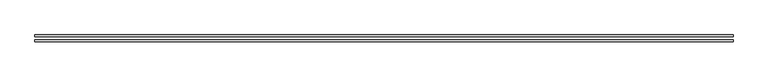
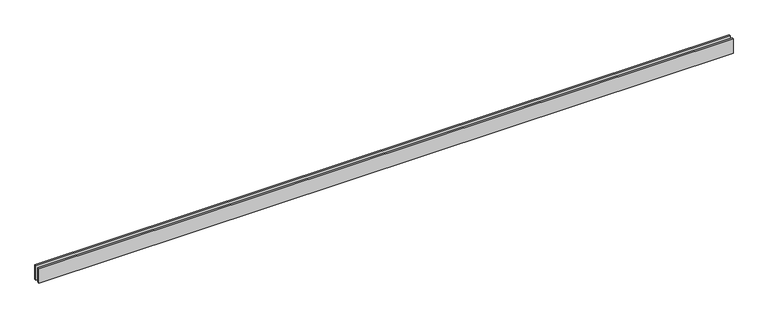
"""IFC4 building model written with IfcOpenShell, lengths in millimetres: proxy geometry."""

from ifc_helpers import new_model, si_unit, origin, origin_with_axes, place, context, project, spatial, polyline, outline, extrude, source, transform, mapped, element, save


def generic_models_2c481636(model_context):
    return source(origin(), model_context, "Body", "SweptSolid", [
        extrude(outline(polyline([(11424.2640687, -25.0), (11424.2640687, -55.0), (0.0, -55.0), (0.0, -25.0), (11424.2640687, -25.0)])), origin_with_axes(), (0.0, 0.0, 1.0), 250.0),
        extrude(outline(polyline([(11424.2640687, 55.0), (11424.2640687, 25.0), (0.0, 25.0), (0.0, 55.0), (11424.2640687, 55.0)])), origin_with_axes(), (0.0, 0.0, 1.0), 250.0),
    ])


if __name__ == "__main__":
    model = new_model("IFC4")
    model_context = context("Model", 3, world=origin())
    ifc_project = project(units=[si_unit("LENGTHUNIT", "METRE", prefix="MILLI")], contexts=[model_context])
    site = spatial("IfcSite", under=ifc_project)
    building = spatial("IfcBuilding", under=site)
    placement = place(None, origin())
    generic_models_shape = generic_models_2c481636(model_context)
    element("IfcBuildingElementProxy", 1, Name="Generic Models", at=placement, inside=building, context=model_context, shape_type="MappedRepresentation", body=[
        mapped(generic_models_shape, transform((0.0, 0.0, 0.0), x_axis=(1.0, 0.0, 0.0), y_axis=(0.0, 1.0, 0.0), z_axis=(0.0, 0.0, 1.0))),
    ])
    save(model, "model.ifc")
